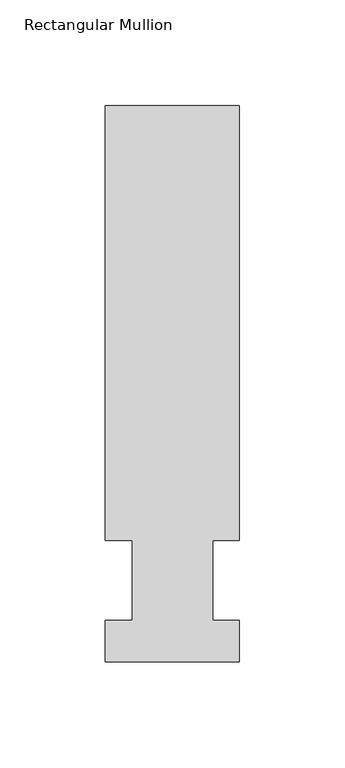
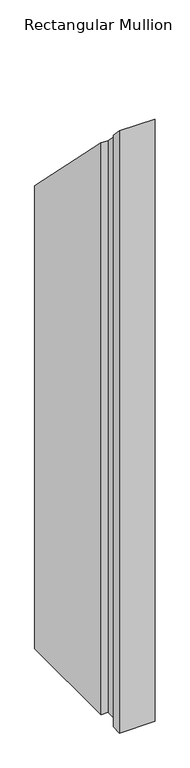
"""IFC4 building model written with IfcOpenShell, lengths in millimetres: member geometry, Rectangular Mullion."""

from ifc_helpers import new_model, si_unit, origin, place, context, project, spatial, faceted_brep, source, transform, mapped, element, save


def rectangular_mullion_cc6e2c9d(model_context):
    return source(origin(), model_context, "Body", "Brep", [
        faceted_brep([(-63.5, 57.6460937, -1143.0134937), (-63.5, 264.0210938, -1143.0134937), (0.0, 264.0210938, -1143.0134937), (0.0, 57.6460938, -1143.0134937), (-12.6873, 57.6460938, -1143.0134937), (-12.6873, 19.5460938, -1143.0134937), (0.0, 19.5460938, -1143.0134937), (0.0, 0.0134938, -1143.0134937), (-63.5, 0.0134938, -1143.0134937), (-63.5, 19.5460938, -1143.0134937), (-50.8, 19.5460938, -1143.0134937), (-50.8, 57.6460937, -1143.0134937), (-50.8, 57.6460937, -57.6460938), (-63.5, 57.6460937, -57.6460938), (-50.8, 19.5460938, -19.5460938), (-63.5, 19.5460938, -19.5460938), (-63.5, 0.0134938, -0.0134938), (0.0, 0.0134938, -0.0134938), (0.0, 19.5460938, -19.5460938), (-12.6873, 19.5460938, -19.5460938), (-12.6873, 57.6460938, -57.6460938), (0.0, 57.6460938, -57.6460938), (0.0, 264.0210938, -264.0210938), (-63.5, 264.0210938, -264.0210938)], [[[0, 1, 2, 3, 4, 5, 6, 7, 8, 9, 10, 11]], [[12, 13, 0, 11]], [[14, 12, 11, 10]], [[15, 14, 10, 9]], [[16, 15, 9, 8]], [[17, 16, 8, 7]], [[18, 17, 7, 6]], [[19, 18, 6, 5]], [[20, 19, 5, 4]], [[21, 20, 4, 3]], [[22, 21, 3, 2]], [[23, 22, 2, 1]], [[13, 23, 1, 0]], [[13, 12, 14, 15, 16, 17, 18, 19, 20, 21, 22, 23]]]),
    ])


if __name__ == "__main__":
    model = new_model("IFC4")
    model_context = context("Model", 3, world=origin())
    ifc_project = project(units=[si_unit("LENGTHUNIT", "METRE", prefix="MILLI")], contexts=[model_context])
    site = spatial("IfcSite", under=ifc_project)
    building = spatial("IfcBuilding", under=site)
    placement = place(None, origin())
    rectangular_mullion_shape = rectangular_mullion_cc6e2c9d(model_context)
    element("IfcMember", 1, ObjectType="Rectangular Mullion", at=placement, inside=building, context=model_context, shape_type="MappedRepresentation", body=[
        mapped(rectangular_mullion_shape, transform((0.0, 0.0, 0.0), x_axis=(1.0, 0.0, 0.0), y_axis=(0.0, 1.0, 0.0), z_axis=(0.0, 0.0, 1.0))),
    ])
    save(model, "model.ifc")
